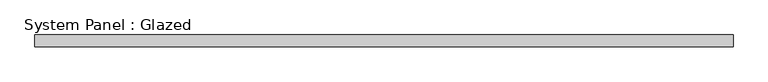
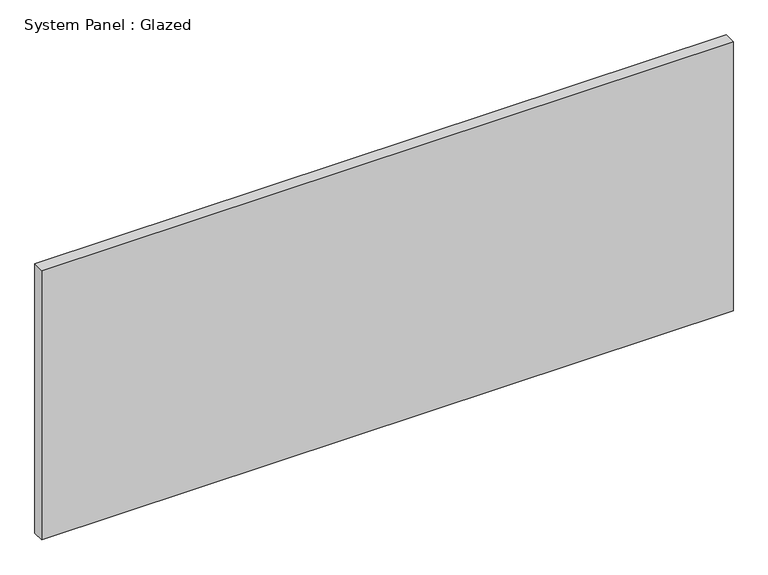
"""IFC4 building model written with IfcOpenShell, lengths in millimetres: plate geometry, System Panel : Glazed."""

from ifc_helpers import new_model, si_unit, origin, origin_with_axes, place, context, project, spatial, polyline, outline, extrude, source, transform, mapped, element, save


def system_panel_glazed_68f6e08e(model_context):
    return source(origin(), model_context, "Body", "SweptSolid", [
        extrude(outline(polyline([(755.65, 19.05), (-755.65, 19.05), (-755.65, 44.45), (755.65, 44.45), (755.65, 19.05)])), origin_with_axes(), (0.0, 0.0, 1.0), 622.3),
    ])


if __name__ == "__main__":
    model = new_model("IFC4")
    model_context = context("Model", 3, world=origin())
    ifc_project = project(units=[si_unit("LENGTHUNIT", "METRE", prefix="MILLI")], contexts=[model_context])
    site = spatial("IfcSite", under=ifc_project)
    building = spatial("IfcBuilding", under=site)
    placement = place(None, origin())
    system_panel_glazed_shape = system_panel_glazed_68f6e08e(model_context)
    element("IfcPlate", 1, ObjectType="System Panel : Glazed", at=placement, inside=building, context=model_context, shape_type="MappedRepresentation", body=[
        mapped(system_panel_glazed_shape, transform((0.0, 0.0, 0.0), x_axis=(1.0, 0.0, 0.0), y_axis=(0.0, 1.0, 0.0), z_axis=(0.0, 0.0, 1.0))),
    ])
    save(model, "model.ifc")
